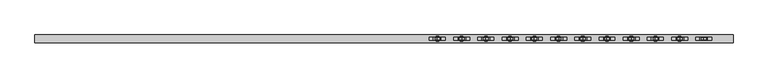
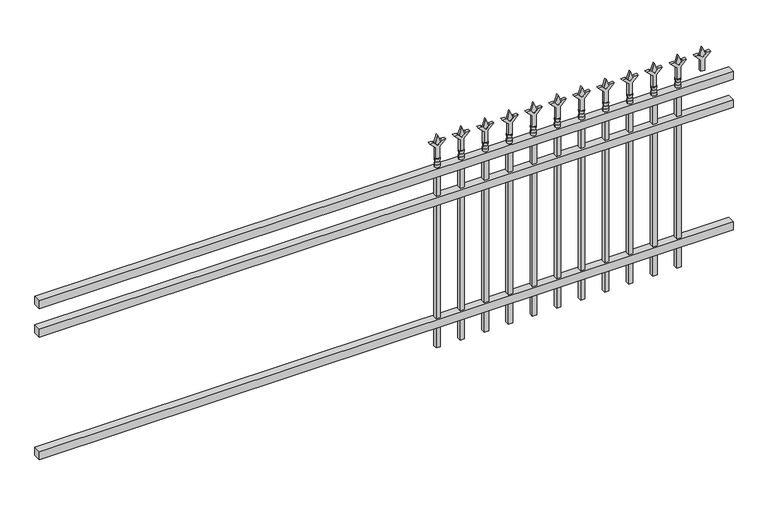
"""IFC4 building model written with IfcOpenShell, lengths in millimetres: railing geometry."""

import ifcopenshell
import ifcopenshell.guid

model = None  # the IFC model being written
_history = None  # IfcOwnerHistory: only IFC2X3 demands one
_inside = {}  # id of a spatial element -> (the spatial element, [elements in it])
_under = {}  # id of a project, library or spatial element -> (it, [spatial elements below it])
_declared = {}  # id of a project -> (the project, [libraries it declares])
_typed = {}  # id of a type object -> (the type object, [elements of that type])
_made_of = {}  # id of a material, layer set ... -> (it, [elements and type objects made of it])


def new_model(schema):
    """Start an empty IFC model of exactly this schema.

    Asked for "IFC4X3", IfcOpenShell would pick the latest addendum, in which some entities
    have other attributes; the version numbers below select the first issue.
    IFC2X3 requires an IfcOwnerHistory on every rooted entity: one is made here for all.
    """
    global model, _history
    if schema == "IFC4X3":
        model = ifcopenshell.file(schema_version=(4, 3, 0, 0))
    else:
        model = ifcopenshell.file(schema=schema)
    _inside.clear()
    _under.clear()
    _declared.clear()
    _typed.clear()
    _made_of.clear()
    _history = None
    if model.schema == "IFC2X3":
        org = make("IfcOrganization", Name="unknown")
        user = make(
            "IfcPersonAndOrganization",
            ThePerson=make("IfcPerson", FamilyName="unknown"),
            TheOrganization=org,
        )
        app = make(
            "IfcApplication",
            ApplicationDeveloper=org,
            Version="unknown",
            ApplicationFullName="unknown",
            ApplicationIdentifier="unknown",
        )
        _history = make(
            "IfcOwnerHistory",
            OwningUser=user,
            OwningApplication=app,
            ChangeAction="ADDED",
            CreationDate=0,
        )
    return model


def make(cls, **values):
    """One entity of the class cls with the attributes given. An attribute that is None is left unset."""
    return model.create_entity(
        cls, **{name: value for name, value in values.items() if value is not None}
    )


def rooted(cls, **values):
    """An entity with a GlobalId (a new one), such as an element, a storey or a relation."""
    return make(cls, GlobalId=ifcopenshell.guid.new(), OwnerHistory=_history, **values)


def si_unit(unit_type, name, prefix=None):
    """IfcSIUnit, for example si_unit("LENGTHUNIT", "METRE", prefix="MILLI")."""
    return make("IfcSIUnit", UnitType=unit_type, Prefix=prefix, Name=name)


def assignment(units):
    """IfcUnitAssignment: the units of a project."""
    return None if units is None else make("IfcUnitAssignment", Units=units)


def point(xyz):
    """IfcCartesianPoint."""
    return None if xyz is None else make("IfcCartesianPoint", Coordinates=xyz)


def direction(xyz):
    """IfcDirection."""
    return None if xyz is None else make("IfcDirection", DirectionRatios=xyz)


def frame(location, z_axis=None, x_axis=None):
    """IfcAxis2Placement3D, a coordinate frame: its origin and axes. An axis left out is left unset."""
    return make(
        "IfcAxis2Placement3D",
        Location=point(location),
        Axis=direction(z_axis),
        RefDirection=direction(x_axis),
    )


def origin():
    """The frame at (0, 0, 0) with its axes left unset."""
    return frame((0.0, 0.0, 0.0))


def place(relative_to, where):
    """IfcLocalPlacement: puts the frame where relative to a parent placement (None: the world)."""
    return make(
        "IfcLocalPlacement", PlacementRelTo=relative_to, RelativePlacement=where
    )


def context(
    kind, dimensions, precision=None, world=None, true_north=None, identifier=None
):
    """IfcGeometricRepresentationContext, for example the 3D "Model" context."""
    return make(
        "IfcGeometricRepresentationContext",
        ContextIdentifier=identifier,
        ContextType=kind,
        CoordinateSpaceDimension=dimensions,
        Precision=precision,
        WorldCoordinateSystem=world,
        TrueNorth=true_north,
    )


def project(units=None, contexts=None):
    """IfcProject with its units and contexts."""
    return rooted(
        "IfcProject",
        Name="project",
        RepresentationContexts=contexts,
        UnitsInContext=assignment(units),
    )


def spatial(cls, under=None, at=None, **own):
    """A site, building, storey or space (cls), placed at a placement, below another one or the project."""
    s = rooted(cls, ObjectPlacement=at, **own)
    if under is not None:
        _under.setdefault(under.id(), (under, []))[1].append(s)
    return s


def polyline(points):
    """IfcPolyline through the points."""
    return make("IfcPolyline", Points=[point(p) for p in points])


def circle_curve(where, radius):
    """IfcCircle in the frame where."""
    return make("IfcCircle", Position=where, Radius=radius)


def outline(outer, holes=None, kind="AREA"):
    """IfcArbitraryClosedProfileDef: a profile drawn as a closed curve; with holes, ...WithVoids."""
    if holes is None:
        return make("IfcArbitraryClosedProfileDef", ProfileType=kind, OuterCurve=outer)
    return make(
        "IfcArbitraryProfileDefWithVoids",
        ProfileType=kind,
        OuterCurve=outer,
        InnerCurves=holes,
    )


def extrude(swept, where, along, depth):
    """IfcExtrudedAreaSolid: the profile swept, set in the frame where, extruded along a direction by depth."""
    return make(
        "IfcExtrudedAreaSolid",
        SweptArea=swept,
        Position=where,
        ExtrudedDirection=direction(along),
        Depth=depth,
    )


def shape(context_of_items, identifier, shape_type, items):
    """IfcShapeRepresentation: the items that make up one representation, for example the "Body"."""
    return make(
        "IfcShapeRepresentation",
        ContextOfItems=context_of_items,
        RepresentationIdentifier=identifier,
        RepresentationType=shape_type,
        Items=items,
    )


def source(mapping_origin, context_of_items, identifier, shape_type, items):
    """IfcRepresentationMap: a shape defined once, which mapped items show again and again."""
    return make(
        "IfcRepresentationMap",
        MappingOrigin=mapping_origin,
        MappedRepresentation=shape(context_of_items, identifier, shape_type, items),
    )


def transform(
    local_origin,
    x_axis=None,
    y_axis=None,
    z_axis=None,
    scale=None,
    scale2=None,
    scale3=None,
    uniform=True,
):
    """IfcCartesianTransformationOperator3D, or its non-uniform kind. x_axis, y_axis, z_axis: its Axis1, 2, 3."""
    if uniform:
        return make(
            "IfcCartesianTransformationOperator3D",
            Axis1=direction(x_axis),
            Axis2=direction(y_axis),
            LocalOrigin=point(local_origin),
            Scale=scale,
            Axis3=direction(z_axis),
        )
    return make(
        "IfcCartesianTransformationOperator3DnonUniform",
        Axis1=direction(x_axis),
        Axis2=direction(y_axis),
        LocalOrigin=point(local_origin),
        Scale=scale,
        Axis3=direction(z_axis),
        Scale2=scale2,
        Scale3=scale3,
    )


def mapped(mapping_source, mapping_target):
    """IfcMappedItem: shows the shape of a source again, moved by a transform."""
    return make(
        "IfcMappedItem", MappingSource=mapping_source, MappingTarget=mapping_target
    )


def made_of(thing, what):
    """Note that an element or type object is made of a material, layer set ...; save() writes the relation."""
    if what is not None:
        _made_of.setdefault(what.id(), (what, []))[1].append(thing)
    return thing


def element(
    cls,
    number,
    at=None,
    inside=None,
    cuts=None,
    type_object=None,
    material=None,
    context=None,
    identifier="Body",
    shape_type=None,
    held_by="IfcProductDefinitionShape",
    body=None,
    shapes=None,
    **own,
):
    """One element of the class cls, such as IfcWall. Its Tag is "e" and its number.

    at: its placement. inside: the storey or other place that contains it. cuts: it is an
    opening in that element (IfcRelVoidsElement). A single representation is given by context,
    identifier, shape_type and body (its items); several are given by shapes. held_by: the class
    of the entity that holds the representations. save() writes the other relations.
    """
    e = rooted(cls, Tag="e%d" % number, ObjectPlacement=at, **own)
    if body is not None:
        shapes = [shape(context, identifier, shape_type, body)]
    if shapes is not None:
        e.Representation = make(held_by, Representations=shapes)
    if inside is not None:
        _inside.setdefault(inside.id(), (inside, []))[1].append(e)
    if cuts is not None:
        rooted(
            "IfcRelVoidsElement", RelatingBuildingElement=cuts, RelatedOpeningElement=e
        )
    if type_object is not None:
        _typed.setdefault(type_object.id(), (type_object, []))[1].append(e)
    return made_of(e, material)


def aggregate(whole, parts):
    """IfcRelAggregates: a whole, such as a stair, and the parts it consists of."""
    return rooted("IfcRelAggregates", RelatingObject=whole, RelatedObjects=parts)


def save(model, path):
    """Write the relations noted so far, then the file.

    IfcRelAggregates (storeys below a building ...), IfcRelContainedInSpatialStructure (elements
    in a storey), IfcRelDefinesByType, IfcRelAssociatesMaterial and IfcRelDeclares: one each for
    every whole, place, type object, material and project.
    """
    for whole, parts in _under.values():
        aggregate(whole, parts)
    for where, things in _inside.values():
        rooted(
            "IfcRelContainedInSpatialStructure",
            RelatedElements=things,
            RelatingStructure=where,
        )
    for kind, things in _typed.values():
        rooted("IfcRelDefinesByType", RelatedObjects=things, RelatingType=kind)
    for what, things in _made_of.values():
        rooted("IfcRelAssociatesMaterial", RelatedObjects=things, RelatingMaterial=what)
    for by, libraries in _declared.values():
        rooted("IfcRelDeclares", RelatingContext=by, RelatedDefinitions=libraries)
    model.write(path)


def plane_surface(at):
    """IfcPlane: the flat surface through the origin of the frame at, square to its z axis."""
    return make("IfcPlane", Position=at)


def cylinder_surface(at, radius):
    """IfcCylindricalSurface: all points at the distance radius from the z axis of the frame at."""
    return make("IfcCylindricalSurface", Position=at, Radius=radius)


def revolved_surface(curve, axis_point, axis_direction):
    """IfcSurfaceOfRevolution: the curve turned about the line through axis_point along axis_direction."""
    return make(
        "IfcSurfaceOfRevolution",
        SweptCurve=make("IfcArbitraryOpenProfileDef", ProfileType="CURVE", Curve=curve),
        AxisPosition=make("IfcAxis1Placement", Location=point(axis_point), Axis=direction(axis_direction)),
    )


def advanced_brep(points, edges, surfaces, faces):
    """IfcAdvancedBrep: a solid bounded by faces that lie on surfaces and meet in shared edges.

    An edge is (start, end): straight between two places in points (the first is 0);
    or (start, end, curve); or (start, end, curve, False) where it runs against its curve.
    A face is (place in surfaces, loops), or (place, loops, False) where it looks against
    its surface's normal. A loop lists edges by number (the first is 1), with a minus sign
    where the edge is run from its end to its start. The first loop is the outer one.
    """
    corners = [point(p) for p in points]
    vertices = [make("IfcVertexPoint", VertexGeometry=c) for c in corners]
    made = []
    for start, end, *more in edges:
        made.append(
            make(
                "IfcEdgeCurve",
                EdgeStart=vertices[start],
                EdgeEnd=vertices[end],
                EdgeGeometry=more[0] if more else make("IfcPolyline", Points=[corners[start], corners[end]]),
                SameSense=more[1] if len(more) > 1 else True,
            )
        )
    hull = []
    for where, loops, *sense in faces:
        bounds = []
        for j, loop in enumerate(loops):
            ring = [make("IfcOrientedEdge", EdgeElement=made[abs(k) - 1], Orientation=k > 0) for k in loop]
            bounds.append(
                make(
                    "IfcFaceOuterBound" if j == 0 else "IfcFaceBound",
                    Bound=make("IfcEdgeLoop", EdgeList=ring),
                    Orientation=True,
                )
            )
        hull.append(make("IfcAdvancedFace", Bounds=bounds, FaceSurface=surfaces[where], SameSense=sense[0] if sense else True))
    return make("IfcAdvancedBrep", Outer=make("IfcClosedShell", CfsFaces=hull))


def railing_35c8c2fa(model_context):
    return source(origin(), model_context, "Body", "SolidModel", [
        extrude(outline(polyline([(-85729.318087, -652.7195174), (-85729.318087, -617.7945174), (-82579.718087, -617.7945174), (-82579.718087, -652.7195174), (-85729.318087, -652.7195174)])), frame((0.0, 0.0, 876.3), z_axis=(0.0, 0.0, 1.0), x_axis=(1.0, 0.0, 0.0)), (0.0, 0.0, 1.0), 38.1),
        extrude(outline(polyline([(-85729.318087, -652.7195174), (-85729.318087, -617.7945174), (-82579.718087, -617.7945174), (-82579.718087, -652.7195174), (-85729.318087, -652.7195174)])), frame((0.0, 0.0, 739.775), z_axis=(0.0, 0.0, 1.0), x_axis=(1.0, 0.0, 0.0)), (0.0, 0.0, 1.0), 38.1),
        extrude(outline(polyline([(-85729.318087, -652.7195174), (-85729.318087, -617.7945174), (-82579.718087, -617.7945174), (-82579.718087, -652.7195174), (-85729.318087, -652.7195174)])), frame((0.0, 0.0, 152.4), z_axis=(0.0, 0.0, 1.0), x_axis=(1.0, 0.0, 0.0)), (0.0, 0.0, 1.0), 38.1),
        extrude(outline(polyline([(1031.08125, -82808.8472536), (1066.8, -82820.7535036), (1031.08125, -82832.6597536), (1019.175, -82820.7535036), (1031.08125, -82808.8472536)])), frame((0.0, -640.0195174, 0.0), z_axis=(0.0, 1.0, 0.0), x_axis=(0.0, 0.0, 1.0)), (0.0, 0.0, 1.0), 9.525),
        extrude(outline(polyline([(955.675, -82812.0222536), (1009.9457378, -82812.0222536), (1037.1355122, -82784.8324791), (1037.1355122, -82802.7929914), (1019.175, -82820.7535036), (1037.1355122, -82838.7140159), (1037.1355122, -82856.6745281), (1009.9457378, -82829.4847536), (955.675, -82829.4847536), (955.675, -82812.0222536)])), frame((0.0, -641.6070174, 0.0), z_axis=(0.0, 1.0, 0.0), x_axis=(0.0, 0.0, 1.0)), (0.0, 0.0, 1.0), 12.7),
        advanced_brep(
        [(-82808.8472536, -635.2570174, 927.1), (-82832.6597536, -635.2570174, 927.1), (-82832.6597536, -635.2570174, 914.4), (-82808.8472536, -635.2570174, 914.4), (-82811.0525855, -635.2570174, 939.6070585), (-82830.4544218, -635.2570174, 939.6070585), (-82808.8472536, -635.2570174, 955.675), (-82832.6597536, -635.2570174, 955.675), (-82820.7535036, -635.2570174, 955.675), (-82820.7535036, -635.2570174, 914.4)],
        [
            (0, 1, circle_curve(frame((-82820.7535036, -635.2570174, 927.1), z_axis=(0.0, 0.0, -1.0), x_axis=(-1.0, 0.0, 0.0)), 11.90625)),
            (1, 2),
            (2, 3, circle_curve(frame((-82820.7535036, -635.2570174, 914.4), z_axis=(0.0, 0.0, 1.0), x_axis=(-1.0, 0.0, 0.0)), 11.90625)),
            (3, 0),
            (1, 0, circle_curve(frame((-82820.7535036, -635.2570174, 927.1), z_axis=(0.0, 0.0, -1.0), x_axis=(-1.0, 0.0, 0.0)), 11.90625)),
            (3, 2, circle_curve(frame((-82820.7535036, -635.2570174, 914.4), z_axis=(0.0, 0.0, 1.0), x_axis=(-1.0, 0.0, 0.0)), 11.90625)),
            (4, 5, circle_curve(frame((-82820.7535036, -635.2570174, 939.6070585), z_axis=(0.0, 0.0, -1.0), x_axis=(-1.0, 0.0, 0.0)), 9.7009181)),
            (5, 1),
            (0, 4),
            (5, 4, circle_curve(frame((-82820.7535036, -635.2570174, 939.6070585), z_axis=(0.0, 0.0, -1.0), x_axis=(-1.0, 0.0, 0.0)), 9.7009181)),
            (6, 7, circle_curve(frame((-82820.7535036, -635.2570174, 955.675), z_axis=(0.0, 0.0, -1.0), x_axis=(-1.0, 0.0, 0.0)), 11.90625)),
            (7, 5),
            (4, 6),
            (7, 6, circle_curve(frame((-82820.7535036, -635.2570174, 955.675), z_axis=(0.0, 0.0, -1.0), x_axis=(-1.0, 0.0, 0.0)), 11.90625)),
            (8, 7),
            (6, 8),
            (2, 9),
            (9, 3),
        ],
        [
            cylinder_surface(frame((-82820.7535036, -635.2570174, 914.4), z_axis=(0.0, 0.0, 1.0), x_axis=(-1.0, 0.0, 0.0)), 11.90625),
            revolved_surface(polyline([(-82832.6597536, -635.2570174, 927.1), (-82830.4544218, -635.2570174, 939.6070585)]), (-82820.7535036, -635.2570174, 914.4), (0.0, 0.0, 1.0)),
            revolved_surface(polyline([(-82830.4544218, -635.2570174, 939.6070585), (-82832.6597536, -635.2570174, 955.675)]), (-82820.7535036, -635.2570174, 914.4), (0.0, 0.0, 1.0)),
            plane_surface(frame((-82820.7535036, -635.2570174, 955.675), z_axis=(0.0, 0.0, 1.0), x_axis=(-1.0, 0.0, 0.0))),
            plane_surface(frame((-82820.7535036, -635.2570174, 914.4), z_axis=(0.0, 0.0, -1.0), x_axis=(-1.0, 0.0, 0.0))),
        ],
        [
            (0, [[1, 2, 3, 4]]),
            (0, [[5, -4, 6, -2]]),
            (1, [[7, 8, -1, 9]]),
            (1, [[10, -9, -5, -8]]),
            (2, [[11, 12, -7, 13]]),
            (2, [[14, -13, -10, -12]]),
            (3, [[15, -11, 16]]),
            (3, [[-16, -14, -15]]),
            (4, [[-3, 17, 18]]),
            (4, [[-6, -18, -17]]),
        ],
    ),
        extrude(outline(polyline([(-82830.2785036, -625.7320174), (-82811.2285036, -625.7320174), (-82811.2285036, -644.7820174), (-82830.2785036, -644.7820174), (-82830.2785036, -625.7320174)])), frame((0.0, 0.0, 50.8), z_axis=(0.0, 0.0, 1.0), x_axis=(1.0, 0.0, 0.0)), (0.0, 0.0, 1.0), 863.6),
        extrude(outline(polyline([(1031.08125, -82918.1201703), (1066.8, -82930.0264203), (1031.08125, -82941.9326703), (1019.175, -82930.0264203), (1031.08125, -82918.1201703)])), frame((0.0, -640.0195174, 0.0), z_axis=(0.0, 1.0, 0.0), x_axis=(0.0, 0.0, 1.0)), (0.0, 0.0, 1.0), 9.525),
        extrude(outline(polyline([(955.675, -82921.2951703), (1009.9457378, -82921.2951703), (1037.1355122, -82894.1053958), (1037.1355122, -82912.0659081), (1019.175, -82930.0264203), (1037.1355122, -82947.9869325), (1037.1355122, -82965.9474448), (1009.9457378, -82938.7576703), (955.675, -82938.7576703), (955.675, -82921.2951703)])), frame((0.0, -641.6070174, 0.0), z_axis=(0.0, 1.0, 0.0), x_axis=(0.0, 0.0, 1.0)), (0.0, 0.0, 1.0), 12.7),
        advanced_brep(
        [(-82918.1201703, -635.2570174, 927.1), (-82941.9326703, -635.2570174, 927.1), (-82941.9326703, -635.2570174, 914.4), (-82918.1201703, -635.2570174, 914.4), (-82920.3255022, -635.2570174, 939.6070585), (-82939.7273384, -635.2570174, 939.6070585), (-82918.1201703, -635.2570174, 955.675), (-82941.9326703, -635.2570174, 955.675), (-82930.0264203, -635.2570174, 955.675), (-82930.0264203, -635.2570174, 914.4)],
        [
            (0, 1, circle_curve(frame((-82930.0264203, -635.2570174, 927.1), z_axis=(0.0, 0.0, -1.0), x_axis=(-1.0, 0.0, 0.0)), 11.90625)),
            (1, 2),
            (2, 3, circle_curve(frame((-82930.0264203, -635.2570174, 914.4), z_axis=(0.0, 0.0, 1.0), x_axis=(-1.0, 0.0, 0.0)), 11.90625)),
            (3, 0),
            (1, 0, circle_curve(frame((-82930.0264203, -635.2570174, 927.1), z_axis=(0.0, 0.0, -1.0), x_axis=(-1.0, 0.0, 0.0)), 11.90625)),
            (3, 2, circle_curve(frame((-82930.0264203, -635.2570174, 914.4), z_axis=(0.0, 0.0, 1.0), x_axis=(-1.0, 0.0, 0.0)), 11.90625)),
            (4, 5, circle_curve(frame((-82930.0264203, -635.2570174, 939.6070585), z_axis=(0.0, 0.0, -1.0), x_axis=(-1.0, 0.0, 0.0)), 9.7009181)),
            (5, 1),
            (0, 4),
            (5, 4, circle_curve(frame((-82930.0264203, -635.2570174, 939.6070585), z_axis=(0.0, 0.0, -1.0), x_axis=(-1.0, 0.0, 0.0)), 9.7009181)),
            (6, 7, circle_curve(frame((-82930.0264203, -635.2570174, 955.675), z_axis=(0.0, 0.0, -1.0), x_axis=(-1.0, 0.0, 0.0)), 11.90625)),
            (7, 5),
            (4, 6),
            (7, 6, circle_curve(frame((-82930.0264203, -635.2570174, 955.675), z_axis=(0.0, 0.0, -1.0), x_axis=(-1.0, 0.0, 0.0)), 11.90625)),
            (8, 7),
            (6, 8),
            (2, 9),
            (9, 3),
        ],
        [
            cylinder_surface(frame((-82930.0264203, -635.2570174, 914.4), z_axis=(0.0, 0.0, 1.0), x_axis=(-1.0, 0.0, 0.0)), 11.90625),
            revolved_surface(polyline([(-82941.9326703, -635.2570174, 927.1), (-82939.7273384, -635.2570174, 939.6070585)]), (-82930.0264203, -635.2570174, 914.4), (0.0, 0.0, 1.0)),
            revolved_surface(polyline([(-82939.7273384, -635.2570174, 939.6070585), (-82941.9326703, -635.2570174, 955.675)]), (-82930.0264203, -635.2570174, 914.4), (0.0, 0.0, 1.0)),
            plane_surface(frame((-82930.0264203, -635.2570174, 955.675), z_axis=(0.0, 0.0, 1.0), x_axis=(-1.0, 0.0, 0.0))),
            plane_surface(frame((-82930.0264203, -635.2570174, 914.4), z_axis=(0.0, 0.0, -1.0), x_axis=(-1.0, 0.0, 0.0))),
        ],
        [
            (0, [[1, 2, 3, 4]]),
            (0, [[5, -4, 6, -2]]),
            (1, [[7, 8, -1, 9]]),
            (1, [[10, -9, -5, -8]]),
            (2, [[11, 12, -7, 13]]),
            (2, [[14, -13, -10, -12]]),
            (3, [[15, -11, 16]]),
            (3, [[-16, -14, -15]]),
            (4, [[-3, 17, 18]]),
            (4, [[-6, -18, -17]]),
        ],
    ),
        extrude(outline(polyline([(-82939.5514203, -625.7320174), (-82920.5014203, -625.7320174), (-82920.5014203, -644.7820174), (-82939.5514203, -644.7820174), (-82939.5514203, -625.7320174)])), frame((0.0, 0.0, 50.8), z_axis=(0.0, 0.0, 1.0), x_axis=(1.0, 0.0, 0.0)), (0.0, 0.0, 1.0), 863.6),
        extrude(outline(polyline([(1031.08125, -83027.393087), (1066.8, -83039.299337), (1031.08125, -83051.205587), (1019.175, -83039.299337), (1031.08125, -83027.393087)])), frame((0.0, -640.0195174, 0.0), z_axis=(0.0, 1.0, 0.0), x_axis=(0.0, 0.0, 1.0)), (0.0, 0.0, 1.0), 9.525),
        extrude(outline(polyline([(955.675, -83030.568087), (1009.9457378, -83030.568087), (1037.1355122, -83003.3783125), (1037.1355122, -83021.3388247), (1019.175, -83039.299337), (1037.1355122, -83057.2598492), (1037.1355122, -83075.2203614), (1009.9457378, -83048.030587), (955.675, -83048.030587), (955.675, -83030.568087)])), frame((0.0, -641.6070174, 0.0), z_axis=(0.0, 1.0, 0.0), x_axis=(0.0, 0.0, 1.0)), (0.0, 0.0, 1.0), 12.7),
        advanced_brep(
        [(-83027.393087, -635.2570174, 927.1), (-83051.205587, -635.2570174, 927.1), (-83051.205587, -635.2570174, 914.4), (-83027.393087, -635.2570174, 914.4), (-83029.5984188, -635.2570174, 939.6070585), (-83049.0002551, -635.2570174, 939.6070585), (-83027.393087, -635.2570174, 955.675), (-83051.205587, -635.2570174, 955.675), (-83039.299337, -635.2570174, 955.675), (-83039.299337, -635.2570174, 914.4)],
        [
            (0, 1, circle_curve(frame((-83039.299337, -635.2570174, 927.1), z_axis=(0.0, 0.0, -1.0), x_axis=(-1.0, 0.0, 0.0)), 11.90625)),
            (1, 2),
            (2, 3, circle_curve(frame((-83039.299337, -635.2570174, 914.4), z_axis=(0.0, 0.0, 1.0), x_axis=(-1.0, 0.0, 0.0)), 11.90625)),
            (3, 0),
            (1, 0, circle_curve(frame((-83039.299337, -635.2570174, 927.1), z_axis=(0.0, 0.0, -1.0), x_axis=(-1.0, 0.0, 0.0)), 11.90625)),
            (3, 2, circle_curve(frame((-83039.299337, -635.2570174, 914.4), z_axis=(0.0, 0.0, 1.0), x_axis=(-1.0, 0.0, 0.0)), 11.90625)),
            (4, 5, circle_curve(frame((-83039.299337, -635.2570174, 939.6070585), z_axis=(0.0, 0.0, -1.0), x_axis=(-1.0, 0.0, 0.0)), 9.7009181)),
            (5, 1),
            (0, 4),
            (5, 4, circle_curve(frame((-83039.299337, -635.2570174, 939.6070585), z_axis=(0.0, 0.0, -1.0), x_axis=(-1.0, 0.0, 0.0)), 9.7009181)),
            (6, 7, circle_curve(frame((-83039.299337, -635.2570174, 955.675), z_axis=(0.0, 0.0, -1.0), x_axis=(-1.0, 0.0, 0.0)), 11.90625)),
            (7, 5),
            (4, 6),
            (7, 6, circle_curve(frame((-83039.299337, -635.2570174, 955.675), z_axis=(0.0, 0.0, -1.0), x_axis=(-1.0, 0.0, 0.0)), 11.90625)),
            (8, 7),
            (6, 8),
            (2, 9),
            (9, 3),
        ],
        [
            cylinder_surface(frame((-83039.299337, -635.2570174, 914.4), z_axis=(0.0, 0.0, 1.0), x_axis=(-1.0, 0.0, 0.0)), 11.90625),
            revolved_surface(polyline([(-83051.205587, -635.2570174, 927.1), (-83049.0002551, -635.2570174, 939.6070585)]), (-83039.299337, -635.2570174, 914.4), (0.0, 0.0, 1.0)),
            revolved_surface(polyline([(-83049.0002551, -635.2570174, 939.6070585), (-83051.205587, -635.2570174, 955.675)]), (-83039.299337, -635.2570174, 914.4), (0.0, 0.0, 1.0)),
            plane_surface(frame((-83039.299337, -635.2570174, 955.675), z_axis=(0.0, 0.0, 1.0), x_axis=(-1.0, 0.0, 0.0))),
            plane_surface(frame((-83039.299337, -635.2570174, 914.4), z_axis=(0.0, 0.0, -1.0), x_axis=(-1.0, 0.0, 0.0))),
        ],
        [
            (0, [[1, 2, 3, 4]]),
            (0, [[5, -4, 6, -2]]),
            (1, [[7, 8, -1, 9]]),
            (1, [[10, -9, -5, -8]]),
            (2, [[11, 12, -7, 13]]),
            (2, [[14, -13, -10, -12]]),
            (3, [[15, -11, 16]]),
            (3, [[-16, -14, -15]]),
            (4, [[-3, 17, 18]]),
            (4, [[-6, -18, -17]]),
        ],
    ),
        extrude(outline(polyline([(-83048.824337, -625.7320174), (-83029.774337, -625.7320174), (-83029.774337, -644.7820174), (-83048.824337, -644.7820174), (-83048.824337, -625.7320174)])), frame((0.0, 0.0, 50.8), z_axis=(0.0, 0.0, 1.0), x_axis=(1.0, 0.0, 0.0)), (0.0, 0.0, 1.0), 863.6),
        extrude(outline(polyline([(1031.08125, -83136.6660036), (1066.8, -83148.5722536), (1031.08125, -83160.4785036), (1019.175, -83148.5722536), (1031.08125, -83136.6660036)])), frame((0.0, -640.0195174, 0.0), z_axis=(0.0, 1.0, 0.0), x_axis=(0.0, 0.0, 1.0)), (0.0, 0.0, 1.0), 9.525),
        extrude(outline(polyline([(955.675, -83139.8410036), (1009.9457378, -83139.8410036), (1037.1355122, -83112.6512291), (1037.1355122, -83130.6117414), (1019.175, -83148.5722536), (1037.1355122, -83166.5327659), (1037.1355122, -83184.4932781), (1009.9457378, -83157.3035036), (955.675, -83157.3035036), (955.675, -83139.8410036)])), frame((0.0, -641.6070174, 0.0), z_axis=(0.0, 1.0, 0.0), x_axis=(0.0, 0.0, 1.0)), (0.0, 0.0, 1.0), 12.7),
        advanced_brep(
        [(-83136.6660036, -635.2570174, 927.1), (-83160.4785036, -635.2570174, 927.1), (-83160.4785036, -635.2570174, 914.4), (-83136.6660036, -635.2570174, 914.4), (-83138.8713355, -635.2570174, 939.6070585), (-83158.2731718, -635.2570174, 939.6070585), (-83136.6660036, -635.2570174, 955.675), (-83160.4785036, -635.2570174, 955.675), (-83148.5722536, -635.2570174, 955.675), (-83148.5722536, -635.2570174, 914.4)],
        [
            (0, 1, circle_curve(frame((-83148.5722536, -635.2570174, 927.1), z_axis=(0.0, 0.0, -1.0), x_axis=(-1.0, 0.0, 0.0)), 11.90625)),
            (1, 2),
            (2, 3, circle_curve(frame((-83148.5722536, -635.2570174, 914.4), z_axis=(0.0, 0.0, 1.0), x_axis=(-1.0, 0.0, 0.0)), 11.90625)),
            (3, 0),
            (1, 0, circle_curve(frame((-83148.5722536, -635.2570174, 927.1), z_axis=(0.0, 0.0, -1.0), x_axis=(-1.0, 0.0, 0.0)), 11.90625)),
            (3, 2, circle_curve(frame((-83148.5722536, -635.2570174, 914.4), z_axis=(0.0, 0.0, 1.0), x_axis=(-1.0, 0.0, 0.0)), 11.90625)),
            (4, 5, circle_curve(frame((-83148.5722536, -635.2570174, 939.6070585), z_axis=(0.0, 0.0, -1.0), x_axis=(-1.0, 0.0, 0.0)), 9.7009181)),
            (5, 1),
            (0, 4),
            (5, 4, circle_curve(frame((-83148.5722536, -635.2570174, 939.6070585), z_axis=(0.0, 0.0, -1.0), x_axis=(-1.0, 0.0, 0.0)), 9.7009181)),
            (6, 7, circle_curve(frame((-83148.5722536, -635.2570174, 955.675), z_axis=(0.0, 0.0, -1.0), x_axis=(-1.0, 0.0, 0.0)), 11.90625)),
            (7, 5),
            (4, 6),
            (7, 6, circle_curve(frame((-83148.5722536, -635.2570174, 955.675), z_axis=(0.0, 0.0, -1.0), x_axis=(-1.0, 0.0, 0.0)), 11.90625)),
            (8, 7),
            (6, 8),
            (2, 9),
            (9, 3),
        ],
        [
            cylinder_surface(frame((-83148.5722536, -635.2570174, 914.4), z_axis=(0.0, 0.0, 1.0), x_axis=(-1.0, 0.0, 0.0)), 11.90625),
            revolved_surface(polyline([(-83160.4785036, -635.2570174, 927.1), (-83158.2731718, -635.2570174, 939.6070585)]), (-83148.5722536, -635.2570174, 914.4), (0.0, 0.0, 1.0)),
            revolved_surface(polyline([(-83158.2731718, -635.2570174, 939.6070585), (-83160.4785036, -635.2570174, 955.675)]), (-83148.5722536, -635.2570174, 914.4), (0.0, 0.0, 1.0)),
            plane_surface(frame((-83148.5722536, -635.2570174, 955.675), z_axis=(0.0, 0.0, 1.0), x_axis=(-1.0, 0.0, 0.0))),
            plane_surface(frame((-83148.5722536, -635.2570174, 914.4), z_axis=(0.0, 0.0, -1.0), x_axis=(-1.0, 0.0, 0.0))),
        ],
        [
            (0, [[1, 2, 3, 4]]),
            (0, [[5, -4, 6, -2]]),
            (1, [[7, 8, -1, 9]]),
            (1, [[10, -9, -5, -8]]),
            (2, [[11, 12, -7, 13]]),
            (2, [[14, -13, -10, -12]]),
            (3, [[15, -11, 16]]),
            (3, [[-16, -14, -15]]),
            (4, [[-3, 17, 18]]),
            (4, [[-6, -18, -17]]),
        ],
    ),
        extrude(outline(polyline([(-83158.0972536, -625.7320174), (-83139.0472536, -625.7320174), (-83139.0472536, -644.7820174), (-83158.0972536, -644.7820174), (-83158.0972536, -625.7320174)])), frame((0.0, 0.0, 50.8), z_axis=(0.0, 0.0, 1.0), x_axis=(1.0, 0.0, 0.0)), (0.0, 0.0, 1.0), 863.6),
        extrude(outline(polyline([(1031.08125, -83245.9389203), (1066.8, -83257.8451703), (1031.08125, -83269.7514203), (1019.175, -83257.8451703), (1031.08125, -83245.9389203)])), frame((0.0, -640.0195174, 0.0), z_axis=(0.0, 1.0, 0.0), x_axis=(0.0, 0.0, 1.0)), (0.0, 0.0, 1.0), 9.525),
        extrude(outline(polyline([(955.675, -83249.1139203), (1009.9457378, -83249.1139203), (1037.1355122, -83221.9241458), (1037.1355122, -83239.8846581), (1019.175, -83257.8451703), (1037.1355122, -83275.8056825), (1037.1355122, -83293.7661948), (1009.9457378, -83266.5764203), (955.675, -83266.5764203), (955.675, -83249.1139203)])), frame((0.0, -641.6070174, 0.0), z_axis=(0.0, 1.0, 0.0), x_axis=(0.0, 0.0, 1.0)), (0.0, 0.0, 1.0), 12.7),
        advanced_brep(
        [(-83245.9389203, -635.2570174, 927.1), (-83269.7514203, -635.2570174, 927.1), (-83269.7514203, -635.2570174, 914.4), (-83245.9389203, -635.2570174, 914.4), (-83248.1442522, -635.2570174, 939.6070585), (-83267.5460884, -635.2570174, 939.6070585), (-83245.9389203, -635.2570174, 955.675), (-83269.7514203, -635.2570174, 955.675), (-83257.8451703, -635.2570174, 955.675), (-83257.8451703, -635.2570174, 914.4)],
        [
            (0, 1, circle_curve(frame((-83257.8451703, -635.2570174, 927.1), z_axis=(0.0, 0.0, -1.0), x_axis=(-1.0, 0.0, 0.0)), 11.90625)),
            (1, 2),
            (2, 3, circle_curve(frame((-83257.8451703, -635.2570174, 914.4), z_axis=(0.0, 0.0, 1.0), x_axis=(-1.0, 0.0, 0.0)), 11.90625)),
            (3, 0),
            (1, 0, circle_curve(frame((-83257.8451703, -635.2570174, 927.1), z_axis=(0.0, 0.0, -1.0), x_axis=(-1.0, 0.0, 0.0)), 11.90625)),
            (3, 2, circle_curve(frame((-83257.8451703, -635.2570174, 914.4), z_axis=(0.0, 0.0, 1.0), x_axis=(-1.0, 0.0, 0.0)), 11.90625)),
            (4, 5, circle_curve(frame((-83257.8451703, -635.2570174, 939.6070585), z_axis=(0.0, 0.0, -1.0), x_axis=(-1.0, 0.0, 0.0)), 9.7009181)),
            (5, 1),
            (0, 4),
            (5, 4, circle_curve(frame((-83257.8451703, -635.2570174, 939.6070585), z_axis=(0.0, 0.0, -1.0), x_axis=(-1.0, 0.0, 0.0)), 9.7009181)),
            (6, 7, circle_curve(frame((-83257.8451703, -635.2570174, 955.675), z_axis=(0.0, 0.0, -1.0), x_axis=(-1.0, 0.0, 0.0)), 11.90625)),
            (7, 5),
            (4, 6),
            (7, 6, circle_curve(frame((-83257.8451703, -635.2570174, 955.675), z_axis=(0.0, 0.0, -1.0), x_axis=(-1.0, 0.0, 0.0)), 11.90625)),
            (8, 7),
            (6, 8),
            (2, 9),
            (9, 3),
        ],
        [
            cylinder_surface(frame((-83257.8451703, -635.2570174, 914.4), z_axis=(0.0, 0.0, 1.0), x_axis=(-1.0, 0.0, 0.0)), 11.90625),
            revolved_surface(polyline([(-83269.7514203, -635.2570174, 927.1), (-83267.5460884, -635.2570174, 939.6070585)]), (-83257.8451703, -635.2570174, 914.4), (0.0, 0.0, 1.0)),
            revolved_surface(polyline([(-83267.5460884, -635.2570174, 939.6070585), (-83269.7514203, -635.2570174, 955.675)]), (-83257.8451703, -635.2570174, 914.4), (0.0, 0.0, 1.0)),
            plane_surface(frame((-83257.8451703, -635.2570174, 955.675), z_axis=(0.0, 0.0, 1.0), x_axis=(-1.0, 0.0, 0.0))),
            plane_surface(frame((-83257.8451703, -635.2570174, 914.4), z_axis=(0.0, 0.0, -1.0), x_axis=(-1.0, 0.0, 0.0))),
        ],
        [
            (0, [[1, 2, 3, 4]]),
            (0, [[5, -4, 6, -2]]),
            (1, [[7, 8, -1, 9]]),
            (1, [[10, -9, -5, -8]]),
            (2, [[11, 12, -7, 13]]),
            (2, [[14, -13, -10, -12]]),
            (3, [[15, -11, 16]]),
            (3, [[-16, -14, -15]]),
            (4, [[-3, 17, 18]]),
            (4, [[-6, -18, -17]]),
        ],
    ),
        extrude(outline(polyline([(-83267.3701703, -625.7320174), (-83248.3201703, -625.7320174), (-83248.3201703, -644.7820174), (-83267.3701703, -644.7820174), (-83267.3701703, -625.7320174)])), frame((0.0, 0.0, 50.8), z_axis=(0.0, 0.0, 1.0), x_axis=(1.0, 0.0, 0.0)), (0.0, 0.0, 1.0), 863.6),
        extrude(outline(polyline([(1031.08125, -83355.211837), (1066.8, -83367.118087), (1031.08125, -83379.024337), (1019.175, -83367.118087), (1031.08125, -83355.211837)])), frame((0.0, -640.0195174, 0.0), z_axis=(0.0, 1.0, 0.0), x_axis=(0.0, 0.0, 1.0)), (0.0, 0.0, 1.0), 9.525),
        extrude(outline(polyline([(955.675, -83358.386837), (1009.9457378, -83358.386837), (1037.1355122, -83331.1970625), (1037.1355122, -83349.1575747), (1019.175, -83367.118087), (1037.1355122, -83385.0785992), (1037.1355122, -83403.0391114), (1009.9457378, -83375.849337), (955.675, -83375.849337), (955.675, -83358.386837)])), frame((0.0, -641.6070174, 0.0), z_axis=(0.0, 1.0, 0.0), x_axis=(0.0, 0.0, 1.0)), (0.0, 0.0, 1.0), 12.7),
        advanced_brep(
        [(-83355.211837, -635.2570174, 927.1), (-83379.024337, -635.2570174, 927.1), (-83379.024337, -635.2570174, 914.4), (-83355.211837, -635.2570174, 914.4), (-83357.4171688, -635.2570174, 939.6070585), (-83376.8190051, -635.2570174, 939.6070585), (-83355.211837, -635.2570174, 955.675), (-83379.024337, -635.2570174, 955.675), (-83367.118087, -635.2570174, 955.675), (-83367.118087, -635.2570174, 914.4)],
        [
            (0, 1, circle_curve(frame((-83367.118087, -635.2570174, 927.1), z_axis=(0.0, 0.0, -1.0), x_axis=(-1.0, 0.0, 0.0)), 11.90625)),
            (1, 2),
            (2, 3, circle_curve(frame((-83367.118087, -635.2570174, 914.4), z_axis=(0.0, 0.0, 1.0), x_axis=(-1.0, 0.0, 0.0)), 11.90625)),
            (3, 0),
            (1, 0, circle_curve(frame((-83367.118087, -635.2570174, 927.1), z_axis=(0.0, 0.0, -1.0), x_axis=(-1.0, 0.0, 0.0)), 11.90625)),
            (3, 2, circle_curve(frame((-83367.118087, -635.2570174, 914.4), z_axis=(0.0, 0.0, 1.0), x_axis=(-1.0, 0.0, 0.0)), 11.90625)),
            (4, 5, circle_curve(frame((-83367.118087, -635.2570174, 939.6070585), z_axis=(0.0, 0.0, -1.0), x_axis=(-1.0, 0.0, 0.0)), 9.7009181)),
            (5, 1),
            (0, 4),
            (5, 4, circle_curve(frame((-83367.118087, -635.2570174, 939.6070585), z_axis=(0.0, 0.0, -1.0), x_axis=(-1.0, 0.0, 0.0)), 9.7009181)),
            (6, 7, circle_curve(frame((-83367.118087, -635.2570174, 955.675), z_axis=(0.0, 0.0, -1.0), x_axis=(-1.0, 0.0, 0.0)), 11.90625)),
            (7, 5),
            (4, 6),
            (7, 6, circle_curve(frame((-83367.118087, -635.2570174, 955.675), z_axis=(0.0, 0.0, -1.0), x_axis=(-1.0, 0.0, 0.0)), 11.90625)),
            (8, 7),
            (6, 8),
            (2, 9),
            (9, 3),
        ],
        [
            cylinder_surface(frame((-83367.118087, -635.2570174, 914.4), z_axis=(0.0, 0.0, 1.0), x_axis=(-1.0, 0.0, 0.0)), 11.90625),
            revolved_surface(polyline([(-83379.024337, -635.2570174, 927.1), (-83376.8190051, -635.2570174, 939.6070585)]), (-83367.118087, -635.2570174, 914.4), (0.0, 0.0, 1.0)),
            revolved_surface(polyline([(-83376.8190051, -635.2570174, 939.6070585), (-83379.024337, -635.2570174, 955.675)]), (-83367.118087, -635.2570174, 914.4), (0.0, 0.0, 1.0)),
            plane_surface(frame((-83367.118087, -635.2570174, 955.675), z_axis=(0.0, 0.0, 1.0), x_axis=(-1.0, 0.0, 0.0))),
            plane_surface(frame((-83367.118087, -635.2570174, 914.4), z_axis=(0.0, 0.0, -1.0), x_axis=(-1.0, 0.0, 0.0))),
        ],
        [
            (0, [[1, 2, 3, 4]]),
            (0, [[5, -4, 6, -2]]),
            (1, [[7, 8, -1, 9]]),
            (1, [[10, -9, -5, -8]]),
            (2, [[11, 12, -7, 13]]),
            (2, [[14, -13, -10, -12]]),
            (3, [[15, -11, 16]]),
            (3, [[-16, -14, -15]]),
            (4, [[-3, 17, 18]]),
            (4, [[-6, -18, -17]]),
        ],
    ),
        extrude(outline(polyline([(-83376.643087, -625.7320174), (-83357.593087, -625.7320174), (-83357.593087, -644.7820174), (-83376.643087, -644.7820174), (-83376.643087, -625.7320174)])), frame((0.0, 0.0, 50.8), z_axis=(0.0, 0.0, 1.0), x_axis=(1.0, 0.0, 0.0)), (0.0, 0.0, 1.0), 863.6),
        extrude(outline(polyline([(1031.08125, -83464.4847536), (1066.8, -83476.3910036), (1031.08125, -83488.2972536), (1019.175, -83476.3910036), (1031.08125, -83464.4847536)])), frame((0.0, -640.0195174, 0.0), z_axis=(0.0, 1.0, 0.0), x_axis=(0.0, 0.0, 1.0)), (0.0, 0.0, 1.0), 9.525),
        extrude(outline(polyline([(955.675, -83467.6597536), (1009.9457378, -83467.6597536), (1037.1355122, -83440.4699791), (1037.1355122, -83458.4304914), (1019.175, -83476.3910036), (1037.1355122, -83494.3515159), (1037.1355122, -83512.3120281), (1009.9457378, -83485.1222536), (955.675, -83485.1222536), (955.675, -83467.6597536)])), frame((0.0, -641.6070174, 0.0), z_axis=(0.0, 1.0, 0.0), x_axis=(0.0, 0.0, 1.0)), (0.0, 0.0, 1.0), 12.7),
        advanced_brep(
        [(-83464.4847536, -635.2570174, 927.1), (-83488.2972536, -635.2570174, 927.1), (-83488.2972536, -635.2570174, 914.4), (-83464.4847536, -635.2570174, 914.4), (-83466.6900855, -635.2570174, 939.6070585), (-83486.0919218, -635.2570174, 939.6070585), (-83464.4847536, -635.2570174, 955.675), (-83488.2972536, -635.2570174, 955.675), (-83476.3910036, -635.2570174, 955.675), (-83476.3910036, -635.2570174, 914.4)],
        [
            (0, 1, circle_curve(frame((-83476.3910036, -635.2570174, 927.1), z_axis=(0.0, 0.0, -1.0), x_axis=(-1.0, 0.0, 0.0)), 11.90625)),
            (1, 2),
            (2, 3, circle_curve(frame((-83476.3910036, -635.2570174, 914.4), z_axis=(0.0, 0.0, 1.0), x_axis=(-1.0, 0.0, 0.0)), 11.90625)),
            (3, 0),
            (1, 0, circle_curve(frame((-83476.3910036, -635.2570174, 927.1), z_axis=(0.0, 0.0, -1.0), x_axis=(-1.0, 0.0, 0.0)), 11.90625)),
            (3, 2, circle_curve(frame((-83476.3910036, -635.2570174, 914.4), z_axis=(0.0, 0.0, 1.0), x_axis=(-1.0, 0.0, 0.0)), 11.90625)),
            (4, 5, circle_curve(frame((-83476.3910036, -635.2570174, 939.6070585), z_axis=(0.0, 0.0, -1.0), x_axis=(-1.0, 0.0, 0.0)), 9.7009181)),
            (5, 1),
            (0, 4),
            (5, 4, circle_curve(frame((-83476.3910036, -635.2570174, 939.6070585), z_axis=(0.0, 0.0, -1.0), x_axis=(-1.0, 0.0, 0.0)), 9.7009181)),
            (6, 7, circle_curve(frame((-83476.3910036, -635.2570174, 955.675), z_axis=(0.0, 0.0, -1.0), x_axis=(-1.0, 0.0, 0.0)), 11.90625)),
            (7, 5),
            (4, 6),
            (7, 6, circle_curve(frame((-83476.3910036, -635.2570174, 955.675), z_axis=(0.0, 0.0, -1.0), x_axis=(-1.0, 0.0, 0.0)), 11.90625)),
            (8, 7),
            (6, 8),
            (2, 9),
            (9, 3),
        ],
        [
            cylinder_surface(frame((-83476.3910036, -635.2570174, 914.4), z_axis=(0.0, 0.0, 1.0), x_axis=(-1.0, 0.0, 0.0)), 11.90625),
            revolved_surface(polyline([(-83488.2972536, -635.2570174, 927.1), (-83486.0919218, -635.2570174, 939.6070585)]), (-83476.3910036, -635.2570174, 914.4), (0.0, 0.0, 1.0)),
            revolved_surface(polyline([(-83486.0919218, -635.2570174, 939.6070585), (-83488.2972536, -635.2570174, 955.675)]), (-83476.3910036, -635.2570174, 914.4), (0.0, 0.0, 1.0)),
            plane_surface(frame((-83476.3910036, -635.2570174, 955.675), z_axis=(0.0, 0.0, 1.0), x_axis=(-1.0, 0.0, 0.0))),
            plane_surface(frame((-83476.3910036, -635.2570174, 914.4), z_axis=(0.0, 0.0, -1.0), x_axis=(-1.0, 0.0, 0.0))),
        ],
        [
            (0, [[1, 2, 3, 4]]),
            (0, [[5, -4, 6, -2]]),
            (1, [[7, 8, -1, 9]]),
            (1, [[10, -9, -5, -8]]),
            (2, [[11, 12, -7, 13]]),
            (2, [[14, -13, -10, -12]]),
            (3, [[15, -11, 16]]),
            (3, [[-16, -14, -15]]),
            (4, [[-3, 17, 18]]),
            (4, [[-6, -18, -17]]),
        ],
    ),
        extrude(outline(polyline([(-83485.9160036, -625.7320174), (-83466.8660036, -625.7320174), (-83466.8660036, -644.7820174), (-83485.9160036, -644.7820174), (-83485.9160036, -625.7320174)])), frame((0.0, 0.0, 50.8), z_axis=(0.0, 0.0, 1.0), x_axis=(1.0, 0.0, 0.0)), (0.0, 0.0, 1.0), 863.6),
        extrude(outline(polyline([(1031.08125, -83573.7576703), (1066.8, -83585.6639203), (1031.08125, -83597.5701703), (1019.175, -83585.6639203), (1031.08125, -83573.7576703)])), frame((0.0, -640.0195174, 0.0), z_axis=(0.0, 1.0, 0.0), x_axis=(0.0, 0.0, 1.0)), (0.0, 0.0, 1.0), 9.525),
        extrude(outline(polyline([(955.675, -83576.9326703), (1009.9457378, -83576.9326703), (1037.1355122, -83549.7428958), (1037.1355122, -83567.7034081), (1019.175, -83585.6639203), (1037.1355122, -83603.6244325), (1037.1355122, -83621.5849448), (1009.9457378, -83594.3951703), (955.675, -83594.3951703), (955.675, -83576.9326703)])), frame((0.0, -641.6070174, 0.0), z_axis=(0.0, 1.0, 0.0), x_axis=(0.0, 0.0, 1.0)), (0.0, 0.0, 1.0), 12.7),
        advanced_brep(
        [(-83573.7576703, -635.2570174, 927.1), (-83597.5701703, -635.2570174, 927.1), (-83597.5701703, -635.2570174, 914.4), (-83573.7576703, -635.2570174, 914.4), (-83575.9630022, -635.2570174, 939.6070585), (-83595.3648384, -635.2570174, 939.6070585), (-83573.7576703, -635.2570174, 955.675), (-83597.5701703, -635.2570174, 955.675), (-83585.6639203, -635.2570174, 955.675), (-83585.6639203, -635.2570174, 914.4)],
        [
            (0, 1, circle_curve(frame((-83585.6639203, -635.2570174, 927.1), z_axis=(0.0, 0.0, -1.0), x_axis=(-1.0, 0.0, 0.0)), 11.90625)),
            (1, 2),
            (2, 3, circle_curve(frame((-83585.6639203, -635.2570174, 914.4), z_axis=(0.0, 0.0, 1.0), x_axis=(-1.0, 0.0, 0.0)), 11.90625)),
            (3, 0),
            (1, 0, circle_curve(frame((-83585.6639203, -635.2570174, 927.1), z_axis=(0.0, 0.0, -1.0), x_axis=(-1.0, 0.0, 0.0)), 11.90625)),
            (3, 2, circle_curve(frame((-83585.6639203, -635.2570174, 914.4), z_axis=(0.0, 0.0, 1.0), x_axis=(-1.0, 0.0, 0.0)), 11.90625)),
            (4, 5, circle_curve(frame((-83585.6639203, -635.2570174, 939.6070585), z_axis=(0.0, 0.0, -1.0), x_axis=(-1.0, 0.0, 0.0)), 9.7009181)),
            (5, 1),
            (0, 4),
            (5, 4, circle_curve(frame((-83585.6639203, -635.2570174, 939.6070585), z_axis=(0.0, 0.0, -1.0), x_axis=(-1.0, 0.0, 0.0)), 9.7009181)),
            (6, 7, circle_curve(frame((-83585.6639203, -635.2570174, 955.675), z_axis=(0.0, 0.0, -1.0), x_axis=(-1.0, 0.0, 0.0)), 11.90625)),
            (7, 5),
            (4, 6),
            (7, 6, circle_curve(frame((-83585.6639203, -635.2570174, 955.675), z_axis=(0.0, 0.0, -1.0), x_axis=(-1.0, 0.0, 0.0)), 11.90625)),
            (8, 7),
            (6, 8),
            (2, 9),
            (9, 3),
        ],
        [
            cylinder_surface(frame((-83585.6639203, -635.2570174, 914.4), z_axis=(0.0, 0.0, 1.0), x_axis=(-1.0, 0.0, 0.0)), 11.90625),
            revolved_surface(polyline([(-83597.5701703, -635.2570174, 927.1), (-83595.3648384, -635.2570174, 939.6070585)]), (-83585.6639203, -635.2570174, 914.4), (0.0, 0.0, 1.0)),
            revolved_surface(polyline([(-83595.3648384, -635.2570174, 939.6070585), (-83597.5701703, -635.2570174, 955.675)]), (-83585.6639203, -635.2570174, 914.4), (0.0, 0.0, 1.0)),
            plane_surface(frame((-83585.6639203, -635.2570174, 955.675), z_axis=(0.0, 0.0, 1.0), x_axis=(-1.0, 0.0, 0.0))),
            plane_surface(frame((-83585.6639203, -635.2570174, 914.4), z_axis=(0.0, 0.0, -1.0), x_axis=(-1.0, 0.0, 0.0))),
        ],
        [
            (0, [[1, 2, 3, 4]]),
            (0, [[5, -4, 6, -2]]),
            (1, [[7, 8, -1, 9]]),
            (1, [[10, -9, -5, -8]]),
            (2, [[11, 12, -7, 13]]),
            (2, [[14, -13, -10, -12]]),
            (3, [[15, -11, 16]]),
            (3, [[-16, -14, -15]]),
            (4, [[-3, 17, 18]]),
            (4, [[-6, -18, -17]]),
        ],
    ),
        extrude(outline(polyline([(-83595.1889203, -625.7320174), (-83576.1389203, -625.7320174), (-83576.1389203, -644.7820174), (-83595.1889203, -644.7820174), (-83595.1889203, -625.7320174)])), frame((0.0, 0.0, 50.8), z_axis=(0.0, 0.0, 1.0), x_axis=(1.0, 0.0, 0.0)), (0.0, 0.0, 1.0), 863.6),
        extrude(outline(polyline([(1031.08125, -83683.030587), (1066.8, -83694.936837), (1031.08125, -83706.843087), (1019.175, -83694.936837), (1031.08125, -83683.030587)])), frame((0.0, -640.0195174, 0.0), z_axis=(0.0, 1.0, 0.0), x_axis=(0.0, 0.0, 1.0)), (0.0, 0.0, 1.0), 9.525),
        extrude(outline(polyline([(955.675, -83686.205587), (1009.9457378, -83686.205587), (1037.1355122, -83659.0158125), (1037.1355122, -83676.9763247), (1019.175, -83694.936837), (1037.1355122, -83712.8973492), (1037.1355122, -83730.8578614), (1009.9457378, -83703.668087), (955.675, -83703.668087), (955.675, -83686.205587)])), frame((0.0, -641.6070174, 0.0), z_axis=(0.0, 1.0, 0.0), x_axis=(0.0, 0.0, 1.0)), (0.0, 0.0, 1.0), 12.7),
        advanced_brep(
        [(-83683.030587, -635.2570174, 927.1), (-83706.843087, -635.2570174, 927.1), (-83706.843087, -635.2570174, 914.4), (-83683.030587, -635.2570174, 914.4), (-83685.2359188, -635.2570174, 939.6070585), (-83704.6377551, -635.2570174, 939.6070585), (-83683.030587, -635.2570174, 955.675), (-83706.843087, -635.2570174, 955.675), (-83694.936837, -635.2570174, 955.675), (-83694.936837, -635.2570174, 914.4)],
        [
            (0, 1, circle_curve(frame((-83694.936837, -635.2570174, 927.1), z_axis=(0.0, 0.0, -1.0), x_axis=(-1.0, 0.0, 0.0)), 11.90625)),
            (1, 2),
            (2, 3, circle_curve(frame((-83694.936837, -635.2570174, 914.4), z_axis=(0.0, 0.0, 1.0), x_axis=(-1.0, 0.0, 0.0)), 11.90625)),
            (3, 0),
            (1, 0, circle_curve(frame((-83694.936837, -635.2570174, 927.1), z_axis=(0.0, 0.0, -1.0), x_axis=(-1.0, 0.0, 0.0)), 11.90625)),
            (3, 2, circle_curve(frame((-83694.936837, -635.2570174, 914.4), z_axis=(0.0, 0.0, 1.0), x_axis=(-1.0, 0.0, 0.0)), 11.90625)),
            (4, 5, circle_curve(frame((-83694.936837, -635.2570174, 939.6070585), z_axis=(0.0, 0.0, -1.0), x_axis=(-1.0, 0.0, 0.0)), 9.7009181)),
            (5, 1),
            (0, 4),
            (5, 4, circle_curve(frame((-83694.936837, -635.2570174, 939.6070585), z_axis=(0.0, 0.0, -1.0), x_axis=(-1.0, 0.0, 0.0)), 9.7009181)),
            (6, 7, circle_curve(frame((-83694.936837, -635.2570174, 955.675), z_axis=(0.0, 0.0, -1.0), x_axis=(-1.0, 0.0, 0.0)), 11.90625)),
            (7, 5),
            (4, 6),
            (7, 6, circle_curve(frame((-83694.936837, -635.2570174, 955.675), z_axis=(0.0, 0.0, -1.0), x_axis=(-1.0, 0.0, 0.0)), 11.90625)),
            (8, 7),
            (6, 8),
            (2, 9),
            (9, 3),
        ],
        [
            cylinder_surface(frame((-83694.936837, -635.2570174, 914.4), z_axis=(0.0, 0.0, 1.0), x_axis=(-1.0, 0.0, 0.0)), 11.90625),
            revolved_surface(polyline([(-83706.843087, -635.2570174, 927.1), (-83704.6377551, -635.2570174, 939.6070585)]), (-83694.936837, -635.2570174, 914.4), (0.0, 0.0, 1.0)),
            revolved_surface(polyline([(-83704.6377551, -635.2570174, 939.6070585), (-83706.843087, -635.2570174, 955.675)]), (-83694.936837, -635.2570174, 914.4), (0.0, 0.0, 1.0)),
            plane_surface(frame((-83694.936837, -635.2570174, 955.675), z_axis=(0.0, 0.0, 1.0), x_axis=(-1.0, 0.0, 0.0))),
            plane_surface(frame((-83694.936837, -635.2570174, 914.4), z_axis=(0.0, 0.0, -1.0), x_axis=(-1.0, 0.0, 0.0))),
        ],
        [
            (0, [[1, 2, 3, 4]]),
            (0, [[5, -4, 6, -2]]),
            (1, [[7, 8, -1, 9]]),
            (1, [[10, -9, -5, -8]]),
            (2, [[11, 12, -7, 13]]),
            (2, [[14, -13, -10, -12]]),
            (3, [[15, -11, 16]]),
            (3, [[-16, -14, -15]]),
            (4, [[-3, 17, 18]]),
            (4, [[-6, -18, -17]]),
        ],
    ),
        extrude(outline(polyline([(-83704.461837, -625.7320174), (-83685.411837, -625.7320174), (-83685.411837, -644.7820174), (-83704.461837, -644.7820174), (-83704.461837, -625.7320174)])), frame((0.0, 0.0, 50.8), z_axis=(0.0, 0.0, 1.0), x_axis=(1.0, 0.0, 0.0)), (0.0, 0.0, 1.0), 863.6),
        extrude(outline(polyline([(1031.08125, -83792.3035036), (1066.8, -83804.2097536), (1031.08125, -83816.1160036), (1019.175, -83804.2097536), (1031.08125, -83792.3035036)])), frame((0.0, -640.0195174, 0.0), z_axis=(0.0, 1.0, 0.0), x_axis=(0.0, 0.0, 1.0)), (0.0, 0.0, 1.0), 9.525),
        extrude(outline(polyline([(955.675, -83795.4785036), (1009.9457378, -83795.4785036), (1037.1355122, -83768.2887291), (1037.1355122, -83786.2492414), (1019.175, -83804.2097536), (1037.1355122, -83822.1702659), (1037.1355122, -83840.1307781), (1009.9457378, -83812.9410036), (955.675, -83812.9410036), (955.675, -83795.4785036)])), frame((0.0, -641.6070174, 0.0), z_axis=(0.0, 1.0, 0.0), x_axis=(0.0, 0.0, 1.0)), (0.0, 0.0, 1.0), 12.7),
        advanced_brep(
        [(-83792.3035036, -635.2570174, 927.1), (-83816.1160036, -635.2570174, 927.1), (-83816.1160036, -635.2570174, 914.4), (-83792.3035036, -635.2570174, 914.4), (-83794.5088355, -635.2570174, 939.6070585), (-83813.9106718, -635.2570174, 939.6070585), (-83792.3035036, -635.2570174, 955.675), (-83816.1160036, -635.2570174, 955.675), (-83804.2097536, -635.2570174, 955.675), (-83804.2097536, -635.2570174, 914.4)],
        [
            (0, 1, circle_curve(frame((-83804.2097536, -635.2570174, 927.1), z_axis=(0.0, 0.0, -1.0), x_axis=(-1.0, 0.0, 0.0)), 11.90625)),
            (1, 2),
            (2, 3, circle_curve(frame((-83804.2097536, -635.2570174, 914.4), z_axis=(0.0, 0.0, 1.0), x_axis=(-1.0, 0.0, 0.0)), 11.90625)),
            (3, 0),
            (1, 0, circle_curve(frame((-83804.2097536, -635.2570174, 927.1), z_axis=(0.0, 0.0, -1.0), x_axis=(-1.0, 0.0, 0.0)), 11.90625)),
            (3, 2, circle_curve(frame((-83804.2097536, -635.2570174, 914.4), z_axis=(0.0, 0.0, 1.0), x_axis=(-1.0, 0.0, 0.0)), 11.90625)),
            (4, 5, circle_curve(frame((-83804.2097536, -635.2570174, 939.6070585), z_axis=(0.0, 0.0, -1.0), x_axis=(-1.0, 0.0, 0.0)), 9.7009181)),
            (5, 1),
            (0, 4),
            (5, 4, circle_curve(frame((-83804.2097536, -635.2570174, 939.6070585), z_axis=(0.0, 0.0, -1.0), x_axis=(-1.0, 0.0, 0.0)), 9.7009181)),
            (6, 7, circle_curve(frame((-83804.2097536, -635.2570174, 955.675), z_axis=(0.0, 0.0, -1.0), x_axis=(-1.0, 0.0, 0.0)), 11.90625)),
            (7, 5),
            (4, 6),
            (7, 6, circle_curve(frame((-83804.2097536, -635.2570174, 955.675), z_axis=(0.0, 0.0, -1.0), x_axis=(-1.0, 0.0, 0.0)), 11.90625)),
            (8, 7),
            (6, 8),
            (2, 9),
            (9, 3),
        ],
        [
            cylinder_surface(frame((-83804.2097536, -635.2570174, 914.4), z_axis=(0.0, 0.0, 1.0), x_axis=(-1.0, 0.0, 0.0)), 11.90625),
            revolved_surface(polyline([(-83816.1160036, -635.2570174, 927.1), (-83813.9106718, -635.2570174, 939.6070585)]), (-83804.2097536, -635.2570174, 914.4), (0.0, 0.0, 1.0)),
            revolved_surface(polyline([(-83813.9106718, -635.2570174, 939.6070585), (-83816.1160036, -635.2570174, 955.675)]), (-83804.2097536, -635.2570174, 914.4), (0.0, 0.0, 1.0)),
            plane_surface(frame((-83804.2097536, -635.2570174, 955.675), z_axis=(0.0, 0.0, 1.0), x_axis=(-1.0, 0.0, 0.0))),
            plane_surface(frame((-83804.2097536, -635.2570174, 914.4), z_axis=(0.0, 0.0, -1.0), x_axis=(-1.0, 0.0, 0.0))),
        ],
        [
            (0, [[1, 2, 3, 4]]),
            (0, [[5, -4, 6, -2]]),
            (1, [[7, 8, -1, 9]]),
            (1, [[10, -9, -5, -8]]),
            (2, [[11, 12, -7, 13]]),
            (2, [[14, -13, -10, -12]]),
            (3, [[15, -11, 16]]),
            (3, [[-16, -14, -15]]),
            (4, [[-3, 17, 18]]),
            (4, [[-6, -18, -17]]),
        ],
    ),
        extrude(outline(polyline([(-83813.7347536, -625.7320174), (-83794.6847536, -625.7320174), (-83794.6847536, -644.7820174), (-83813.7347536, -644.7820174), (-83813.7347536, -625.7320174)])), frame((0.0, 0.0, 50.8), z_axis=(0.0, 0.0, 1.0), x_axis=(1.0, 0.0, 0.0)), (0.0, 0.0, 1.0), 863.6),
        extrude(outline(polyline([(1031.08125, -83901.5764203), (1066.8, -83913.4826703), (1031.08125, -83925.3889203), (1019.175, -83913.4826703), (1031.08125, -83901.5764203)])), frame((0.0, -640.0195174, 0.0), z_axis=(0.0, 1.0, 0.0), x_axis=(0.0, 0.0, 1.0)), (0.0, 0.0, 1.0), 9.525),
        extrude(outline(polyline([(955.675, -83904.7514203), (1009.9457378, -83904.7514203), (1037.1355122, -83877.5616458), (1037.1355122, -83895.5221581), (1019.175, -83913.4826703), (1037.1355122, -83931.4431825), (1037.1355122, -83949.4036948), (1009.9457378, -83922.2139203), (955.675, -83922.2139203), (955.675, -83904.7514203)])), frame((0.0, -641.6070174, 0.0), z_axis=(0.0, 1.0, 0.0), x_axis=(0.0, 0.0, 1.0)), (0.0, 0.0, 1.0), 12.7),
        advanced_brep(
        [(-83901.5764203, -635.2570174, 927.1), (-83925.3889203, -635.2570174, 927.1), (-83925.3889203, -635.2570174, 914.4), (-83901.5764203, -635.2570174, 914.4), (-83903.7817522, -635.2570174, 939.6070585), (-83923.1835884, -635.2570174, 939.6070585), (-83901.5764203, -635.2570174, 955.675), (-83925.3889203, -635.2570174, 955.675), (-83913.4826703, -635.2570174, 955.675), (-83913.4826703, -635.2570174, 914.4)],
        [
            (0, 1, circle_curve(frame((-83913.4826703, -635.2570174, 927.1), z_axis=(0.0, 0.0, -1.0), x_axis=(-1.0, 0.0, 0.0)), 11.90625)),
            (1, 2),
            (2, 3, circle_curve(frame((-83913.4826703, -635.2570174, 914.4), z_axis=(0.0, 0.0, 1.0), x_axis=(-1.0, 0.0, 0.0)), 11.90625)),
            (3, 0),
            (1, 0, circle_curve(frame((-83913.4826703, -635.2570174, 927.1), z_axis=(0.0, 0.0, -1.0), x_axis=(-1.0, 0.0, 0.0)), 11.90625)),
            (3, 2, circle_curve(frame((-83913.4826703, -635.2570174, 914.4), z_axis=(0.0, 0.0, 1.0), x_axis=(-1.0, 0.0, 0.0)), 11.90625)),
            (4, 5, circle_curve(frame((-83913.4826703, -635.2570174, 939.6070585), z_axis=(0.0, 0.0, -1.0), x_axis=(-1.0, 0.0, 0.0)), 9.7009181)),
            (5, 1),
            (0, 4),
            (5, 4, circle_curve(frame((-83913.4826703, -635.2570174, 939.6070585), z_axis=(0.0, 0.0, -1.0), x_axis=(-1.0, 0.0, 0.0)), 9.7009181)),
            (6, 7, circle_curve(frame((-83913.4826703, -635.2570174, 955.675), z_axis=(0.0, 0.0, -1.0), x_axis=(-1.0, 0.0, 0.0)), 11.90625)),
            (7, 5),
            (4, 6),
            (7, 6, circle_curve(frame((-83913.4826703, -635.2570174, 955.675), z_axis=(0.0, 0.0, -1.0), x_axis=(-1.0, 0.0, 0.0)), 11.90625)),
            (8, 7),
            (6, 8),
            (2, 9),
            (9, 3),
        ],
        [
            cylinder_surface(frame((-83913.4826703, -635.2570174, 914.4), z_axis=(0.0, 0.0, 1.0), x_axis=(-1.0, 0.0, 0.0)), 11.90625),
            revolved_surface(polyline([(-83925.3889203, -635.2570174, 927.1), (-83923.1835884, -635.2570174, 939.6070585)]), (-83913.4826703, -635.2570174, 914.4), (0.0, 0.0, 1.0)),
            revolved_surface(polyline([(-83923.1835884, -635.2570174, 939.6070585), (-83925.3889203, -635.2570174, 955.675)]), (-83913.4826703, -635.2570174, 914.4), (0.0, 0.0, 1.0)),
            plane_surface(frame((-83913.4826703, -635.2570174, 955.675), z_axis=(0.0, 0.0, 1.0), x_axis=(-1.0, 0.0, 0.0))),
            plane_surface(frame((-83913.4826703, -635.2570174, 914.4), z_axis=(0.0, 0.0, -1.0), x_axis=(-1.0, 0.0, 0.0))),
        ],
        [
            (0, [[1, 2, 3, 4]]),
            (0, [[5, -4, 6, -2]]),
            (1, [[7, 8, -1, 9]]),
            (1, [[10, -9, -5, -8]]),
            (2, [[11, 12, -7, 13]]),
            (2, [[14, -13, -10, -12]]),
            (3, [[15, -11, 16]]),
            (3, [[-16, -14, -15]]),
            (4, [[-3, 17, 18]]),
            (4, [[-6, -18, -17]]),
        ],
    ),
        extrude(outline(polyline([(-83923.0076703, -625.7320174), (-83903.9576703, -625.7320174), (-83903.9576703, -644.7820174), (-83923.0076703, -644.7820174), (-83923.0076703, -625.7320174)])), frame((0.0, 0.0, 50.8), z_axis=(0.0, 0.0, 1.0), x_axis=(1.0, 0.0, 0.0)), (0.0, 0.0, 1.0), 863.6),
        extrude(outline(polyline([(1031.08125, -82699.574337), (1066.8, -82711.480587), (1031.08125, -82723.386837), (1019.175, -82711.480587), (1031.08125, -82699.574337)])), frame((0.0, -640.0195174, 0.0), z_axis=(0.0, 1.0, 0.0), x_axis=(0.0, 0.0, 1.0)), (0.0, 0.0, 1.0), 9.525),
        extrude(outline(polyline([(955.675, -82702.749337), (1009.9457378, -82702.749337), (1037.1355122, -82675.5595625), (1037.1355122, -82693.5200747), (1019.175, -82711.480587), (1037.1355122, -82729.4410992), (1037.1355122, -82747.4016114), (1009.9457378, -82720.211837), (955.675, -82720.211837), (955.675, -82702.749337)])), frame((0.0, -641.6070174, 0.0), z_axis=(0.0, 1.0, 0.0), x_axis=(0.0, 0.0, 1.0)), (0.0, 0.0, 1.0), 12.7),
    ])


if __name__ == "__main__":
    model = new_model("IFC4")
    model_context = context("Model", 3, world=origin())
    ifc_project = project(units=[si_unit("LENGTHUNIT", "METRE", prefix="MILLI")], contexts=[model_context])
    site = spatial("IfcSite", under=ifc_project)
    building = spatial("IfcBuilding", under=site)
    placement = place(None, origin())
    railing_shape = railing_35c8c2fa(model_context)
    element("IfcRailing", 1, at=placement, inside=building, context=model_context, shape_type="MappedRepresentation", body=[
        mapped(railing_shape, transform((0.0, 0.0, 0.0), x_axis=(1.0, 0.0, 0.0), y_axis=(0.0, 1.0, 0.0), z_axis=(0.0, 0.0, 1.0))),
    ])
    save(model, "model.ifc")
